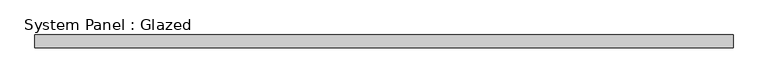
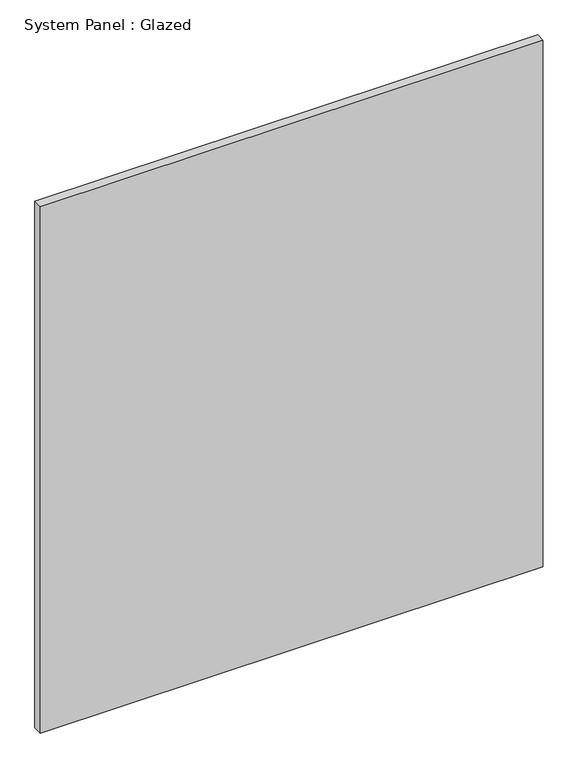
"""IFC4 building model written with IfcOpenShell, lengths in millimetres: plate geometry, System Panel : Glazed."""

from ifc_helpers import new_model, si_unit, origin, origin_with_axes, place, context, project, spatial, polyline, outline, extrude, source, transform, mapped, element, save


def system_panel_glazed_e776a303(model_context):
    return source(origin(), model_context, "Body", "SweptSolid", [
        extrude(outline(polyline([(688.1245537, 19.05), (-688.1245537, 19.05), (-688.1245537, 44.45), (688.1245537, 44.45), (688.1245537, 19.05)])), origin_with_axes(), (0.0, 0.0, 1.0), 1524.0),
    ])


if __name__ == "__main__":
    model = new_model("IFC4")
    model_context = context("Model", 3, world=origin())
    ifc_project = project(units=[si_unit("LENGTHUNIT", "METRE", prefix="MILLI")], contexts=[model_context])
    site = spatial("IfcSite", under=ifc_project)
    building = spatial("IfcBuilding", under=site)
    placement = place(None, origin())
    system_panel_glazed_shape = system_panel_glazed_e776a303(model_context)
    element("IfcPlate", 1, ObjectType="System Panel : Glazed", at=placement, inside=building, context=model_context, shape_type="MappedRepresentation", body=[
        mapped(system_panel_glazed_shape, transform((0.0, 0.0, 0.0), x_axis=(1.0, 0.0, 0.0), y_axis=(0.0, 1.0, 0.0), z_axis=(0.0, 0.0, 1.0))),
    ])
    save(model, "model.ifc")
